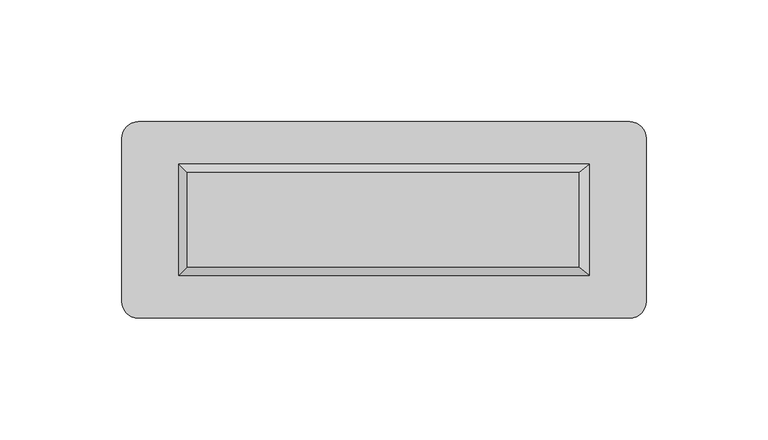
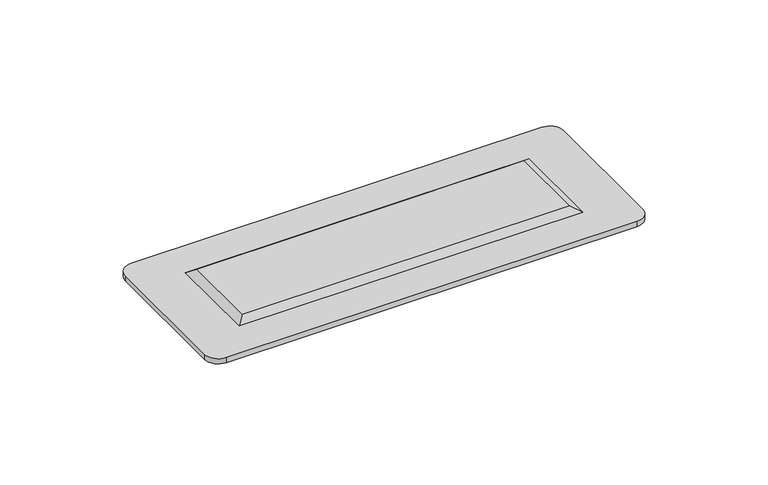
"""IFC4 building model written with IfcOpenShell, lengths in millimetres: furniture geometry."""

import ifcopenshell
import ifcopenshell.guid

model = None  # the IFC model being written
_history = None  # IfcOwnerHistory: only IFC2X3 demands one
_inside = {}  # id of a spatial element -> (the spatial element, [elements in it])
_under = {}  # id of a project, library or spatial element -> (it, [spatial elements below it])
_declared = {}  # id of a project -> (the project, [libraries it declares])
_typed = {}  # id of a type object -> (the type object, [elements of that type])
_made_of = {}  # id of a material, layer set ... -> (it, [elements and type objects made of it])


def new_model(schema):
    """Start an empty IFC model of exactly this schema.

    Asked for "IFC4X3", IfcOpenShell would pick the latest addendum, in which some entities
    have other attributes; the version numbers below select the first issue.
    IFC2X3 requires an IfcOwnerHistory on every rooted entity: one is made here for all.
    """
    global model, _history
    if schema == "IFC4X3":
        model = ifcopenshell.file(schema_version=(4, 3, 0, 0))
    else:
        model = ifcopenshell.file(schema=schema)
    _inside.clear()
    _under.clear()
    _declared.clear()
    _typed.clear()
    _made_of.clear()
    _history = None
    if model.schema == "IFC2X3":
        org = make("IfcOrganization", Name="unknown")
        user = make(
            "IfcPersonAndOrganization",
            ThePerson=make("IfcPerson", FamilyName="unknown"),
            TheOrganization=org,
        )
        app = make(
            "IfcApplication",
            ApplicationDeveloper=org,
            Version="unknown",
            ApplicationFullName="unknown",
            ApplicationIdentifier="unknown",
        )
        _history = make(
            "IfcOwnerHistory",
            OwningUser=user,
            OwningApplication=app,
            ChangeAction="ADDED",
            CreationDate=0,
        )
    return model


def make(cls, **values):
    """One entity of the class cls with the attributes given. An attribute that is None is left unset."""
    return model.create_entity(
        cls, **{name: value for name, value in values.items() if value is not None}
    )


def rooted(cls, **values):
    """An entity with a GlobalId (a new one), such as an element, a storey or a relation."""
    return make(cls, GlobalId=ifcopenshell.guid.new(), OwnerHistory=_history, **values)


def si_unit(unit_type, name, prefix=None):
    """IfcSIUnit, for example si_unit("LENGTHUNIT", "METRE", prefix="MILLI")."""
    return make("IfcSIUnit", UnitType=unit_type, Prefix=prefix, Name=name)


def assignment(units):
    """IfcUnitAssignment: the units of a project."""
    return None if units is None else make("IfcUnitAssignment", Units=units)


def point(xyz):
    """IfcCartesianPoint."""
    return None if xyz is None else make("IfcCartesianPoint", Coordinates=xyz)


def direction(xyz):
    """IfcDirection."""
    return None if xyz is None else make("IfcDirection", DirectionRatios=xyz)


def frame(location, z_axis=None, x_axis=None):
    """IfcAxis2Placement3D, a coordinate frame: its origin and axes. An axis left out is left unset."""
    return make(
        "IfcAxis2Placement3D",
        Location=point(location),
        Axis=direction(z_axis),
        RefDirection=direction(x_axis),
    )


def frame_2d(location, x_axis=None):
    """IfcAxis2Placement2D, a coordinate frame in the plane: its origin and x axis."""
    return make(
        "IfcAxis2Placement2D", Location=point(location), RefDirection=direction(x_axis)
    )


def origin():
    """The frame at (0, 0, 0) with its axes left unset."""
    return frame((0.0, 0.0, 0.0))


def place(relative_to, where):
    """IfcLocalPlacement: puts the frame where relative to a parent placement (None: the world)."""
    return make(
        "IfcLocalPlacement", PlacementRelTo=relative_to, RelativePlacement=where
    )


def context(
    kind, dimensions, precision=None, world=None, true_north=None, identifier=None
):
    """IfcGeometricRepresentationContext, for example the 3D "Model" context."""
    return make(
        "IfcGeometricRepresentationContext",
        ContextIdentifier=identifier,
        ContextType=kind,
        CoordinateSpaceDimension=dimensions,
        Precision=precision,
        WorldCoordinateSystem=world,
        TrueNorth=true_north,
    )


def project(units=None, contexts=None):
    """IfcProject with its units and contexts."""
    return rooted(
        "IfcProject",
        Name="project",
        RepresentationContexts=contexts,
        UnitsInContext=assignment(units),
    )


def spatial(cls, under=None, at=None, **own):
    """A site, building, storey or space (cls), placed at a placement, below another one or the project."""
    s = rooted(cls, ObjectPlacement=at, **own)
    if under is not None:
        _under.setdefault(under.id(), (under, []))[1].append(s)
    return s


def polyline(points):
    """IfcPolyline through the points."""
    return make("IfcPolyline", Points=[point(p) for p in points])


def circle_curve(where, radius):
    """IfcCircle in the frame where."""
    return make("IfcCircle", Position=where, Radius=radius)


def trimmed(basis, trim1, trim2, sense, master):
    """IfcTrimmedCurve: the piece of a basis curve between two trims."""
    return make(
        "IfcTrimmedCurve",
        BasisCurve=basis,
        Trim1=trim1,
        Trim2=trim2,
        SenseAgreement=sense,
        MasterRepresentation=master,
    )


def segment(curve, same_sense, transition):
    """IfcCompositeCurveSegment."""
    return make(
        "IfcCompositeCurveSegment",
        Transition=transition,
        SameSense=same_sense,
        ParentCurve=curve,
    )


def composite_curve(segments, self_intersect=None):
    """IfcCompositeCurve: segments joined end to end."""
    return make("IfcCompositeCurve", Segments=segments, SelfIntersect=self_intersect)


def outline(outer, holes=None, kind="AREA"):
    """IfcArbitraryClosedProfileDef: a profile drawn as a closed curve; with holes, ...WithVoids."""
    if holes is None:
        return make("IfcArbitraryClosedProfileDef", ProfileType=kind, OuterCurve=outer)
    return make(
        "IfcArbitraryProfileDefWithVoids",
        ProfileType=kind,
        OuterCurve=outer,
        InnerCurves=holes,
    )


def extrude(swept, where, along, depth):
    """IfcExtrudedAreaSolid: the profile swept, set in the frame where, extruded along a direction by depth."""
    return make(
        "IfcExtrudedAreaSolid",
        SweptArea=swept,
        Position=where,
        ExtrudedDirection=direction(along),
        Depth=depth,
    )


def faces_of(points, faces, orient=None, outer=None):
    """IfcFace entities. A face is a list of loops; a loop is a list of indices into points, from 0.

    orient and outer hold one flag for each loop. By default every Orientation is true, the
    first loop of a face is its IfcFaceOuterBound and the others are IfcFaceBound.
    """
    made = []
    for i, loops in enumerate(faces):
        bounds = []
        for j, loop in enumerate(loops):
            is_outer = j == 0 if outer is None else outer[i][j]
            bounds.append(
                make(
                    "IfcFaceOuterBound" if is_outer else "IfcFaceBound",
                    Bound=make("IfcPolyLoop", Polygon=[points[k] for k in loop]),
                    Orientation=True if orient is None else orient[i][j],
                )
            )
        made.append(make("IfcFace", Bounds=bounds))
    return made


def faceted_brep(points, faces, orient=None, outer=None, voids=None):
    """IfcFacetedBrep: a solid bounded by flat faces; with voids (closed shells), ...WithVoids."""
    shared = [point(p) for p in points]
    hull = make("IfcClosedShell", CfsFaces=faces_of(shared, faces, orient, outer))
    if voids is None:
        return make("IfcFacetedBrep", Outer=hull)
    return make(
        "IfcFacetedBrepWithVoids",
        Outer=hull,
        Voids=[
            make(cls, CfsFaces=faces_of(shared, fs, o, b)) for cls, fs, o, b in voids
        ],
    )


def shape(context_of_items, identifier, shape_type, items):
    """IfcShapeRepresentation: the items that make up one representation, for example the "Body"."""
    return make(
        "IfcShapeRepresentation",
        ContextOfItems=context_of_items,
        RepresentationIdentifier=identifier,
        RepresentationType=shape_type,
        Items=items,
    )


def source(mapping_origin, context_of_items, identifier, shape_type, items):
    """IfcRepresentationMap: a shape defined once, which mapped items show again and again."""
    return make(
        "IfcRepresentationMap",
        MappingOrigin=mapping_origin,
        MappedRepresentation=shape(context_of_items, identifier, shape_type, items),
    )


def transform(
    local_origin,
    x_axis=None,
    y_axis=None,
    z_axis=None,
    scale=None,
    scale2=None,
    scale3=None,
    uniform=True,
):
    """IfcCartesianTransformationOperator3D, or its non-uniform kind. x_axis, y_axis, z_axis: its Axis1, 2, 3."""
    if uniform:
        return make(
            "IfcCartesianTransformationOperator3D",
            Axis1=direction(x_axis),
            Axis2=direction(y_axis),
            LocalOrigin=point(local_origin),
            Scale=scale,
            Axis3=direction(z_axis),
        )
    return make(
        "IfcCartesianTransformationOperator3DnonUniform",
        Axis1=direction(x_axis),
        Axis2=direction(y_axis),
        LocalOrigin=point(local_origin),
        Scale=scale,
        Axis3=direction(z_axis),
        Scale2=scale2,
        Scale3=scale3,
    )


def mapped(mapping_source, mapping_target):
    """IfcMappedItem: shows the shape of a source again, moved by a transform."""
    return make(
        "IfcMappedItem", MappingSource=mapping_source, MappingTarget=mapping_target
    )


def made_of(thing, what):
    """Note that an element or type object is made of a material, layer set ...; save() writes the relation."""
    if what is not None:
        _made_of.setdefault(what.id(), (what, []))[1].append(thing)
    return thing


def element(
    cls,
    number,
    at=None,
    inside=None,
    cuts=None,
    type_object=None,
    material=None,
    context=None,
    identifier="Body",
    shape_type=None,
    held_by="IfcProductDefinitionShape",
    body=None,
    shapes=None,
    **own,
):
    """One element of the class cls, such as IfcWall. Its Tag is "e" and its number.

    at: its placement. inside: the storey or other place that contains it. cuts: it is an
    opening in that element (IfcRelVoidsElement). A single representation is given by context,
    identifier, shape_type and body (its items); several are given by shapes. held_by: the class
    of the entity that holds the representations. save() writes the other relations.
    """
    e = rooted(cls, Tag="e%d" % number, ObjectPlacement=at, **own)
    if body is not None:
        shapes = [shape(context, identifier, shape_type, body)]
    if shapes is not None:
        e.Representation = make(held_by, Representations=shapes)
    if inside is not None:
        _inside.setdefault(inside.id(), (inside, []))[1].append(e)
    if cuts is not None:
        rooted(
            "IfcRelVoidsElement", RelatingBuildingElement=cuts, RelatedOpeningElement=e
        )
    if type_object is not None:
        _typed.setdefault(type_object.id(), (type_object, []))[1].append(e)
    return made_of(e, material)


def aggregate(whole, parts):
    """IfcRelAggregates: a whole, such as a stair, and the parts it consists of."""
    return rooted("IfcRelAggregates", RelatingObject=whole, RelatedObjects=parts)


def save(model, path):
    """Write the relations noted so far, then the file.

    IfcRelAggregates (storeys below a building ...), IfcRelContainedInSpatialStructure (elements
    in a storey), IfcRelDefinesByType, IfcRelAssociatesMaterial and IfcRelDeclares: one each for
    every whole, place, type object, material and project.
    """
    for whole, parts in _under.values():
        aggregate(whole, parts)
    for where, things in _inside.values():
        rooted(
            "IfcRelContainedInSpatialStructure",
            RelatedElements=things,
            RelatingStructure=where,
        )
    for kind, things in _typed.values():
        rooted("IfcRelDefinesByType", RelatedObjects=things, RelatingType=kind)
    for what, things in _made_of.values():
        rooted("IfcRelAssociatesMaterial", RelatedObjects=things, RelatingMaterial=what)
    for by, libraries in _declared.values():
        rooted("IfcRelDeclares", RelatingContext=by, RelatedDefinitions=libraries)
    model.write(path)


def furniture_2a660cdf(model_context):
    return source(origin(), model_context, "Body", "SolidModel", [
        faceted_brep([(79.8982717, -20.9833849, 744.1599367), (-80.760283, -20.9833849, 744.1599367), (-80.760283, -59.7219497, 744.1599367), (79.8982717, -59.7219497, 744.1599367), (84.3370633, -17.4861567, 741.4691801), (84.3370633, -63.2191744, 741.4691801), (-84.3370633, -63.2191744, 741.4691801), (-84.3370633, -17.4861567, 741.4691801)], [[[0, 1, 2, 3]], [[4, 5, 6, 7]], [[4, 7, 1, 0]], [[7, 6, 2, 1]], [[6, 5, 3, 2]], [[5, 4, 0, 3]]]),
        extrude(outline(composite_curve([segment(polyline([(-100.8816555, 0.0), (100.8816566, 0.0)]), True, "CONTINUOUS"), segment(trimmed(circle_curve(frame_2d((100.8816566, -6.7254434)), 6.7254434), [point((100.8816566, 0.0))], [point((107.6071, -6.7254434))], False, "CARTESIAN"), True, "CONTINUOUS"), segment(polyline([(107.6071, -6.7254434), (107.6071, -73.9798866)]), True, "CONTINUOUS"), segment(trimmed(circle_curve(frame_2d((100.8816566, -73.9798866)), 6.7254434), [point((107.6071, -73.9798866))], [point((100.8816566, -80.70533))], False, "CARTESIAN"), True, "CONTINUOUS"), segment(polyline([(100.8816566, -80.70533), (-100.8816566, -80.70533)]), True, "CONTINUOUS"), segment(trimmed(circle_curve(frame_2d((-100.8816566, -73.9798866)), 6.7254434), [point((-100.8816566, -80.70533))], [point((-107.6071, -73.9798866))], False, "CARTESIAN"), True, "CONTINUOUS"), segment(polyline([(-107.6071, -73.9798866), (-107.6071, -6.7254445)]), True, "CONTINUOUS"), segment(trimmed(circle_curve(frame_2d((-100.8816555, -6.7254445)), 6.7254445), [point((-107.6071, -6.7254445))], [point((-100.8816555, 0.0))], False, "CARTESIAN"), True, "CONTINUOUS")], self_intersect=False)), frame((0.0, 0.0, 738.77932), z_axis=(0.0, 0.0, 1.0), x_axis=(1.0, 0.0, 0.0)), (0.0, 0.0, 1.0), 2.6898601),
    ])


if __name__ == "__main__":
    model = new_model("IFC4")
    model_context = context("Model", 3, world=origin())
    ifc_project = project(units=[si_unit("LENGTHUNIT", "METRE", prefix="MILLI")], contexts=[model_context])
    site = spatial("IfcSite", under=ifc_project)
    building = spatial("IfcBuilding", under=site)
    placement = place(None, origin())
    furniture_shape = furniture_2a660cdf(model_context)
    element("IfcFurniture", 1, at=placement, inside=building, context=model_context, shape_type="MappedRepresentation", body=[
        mapped(furniture_shape, transform((0.0, 0.0, 0.0), x_axis=(1.0, 0.0, 0.0), y_axis=(0.0, 1.0, 0.0), z_axis=(0.0, 0.0, 1.0))),
    ])
    save(model, "model.ifc")
